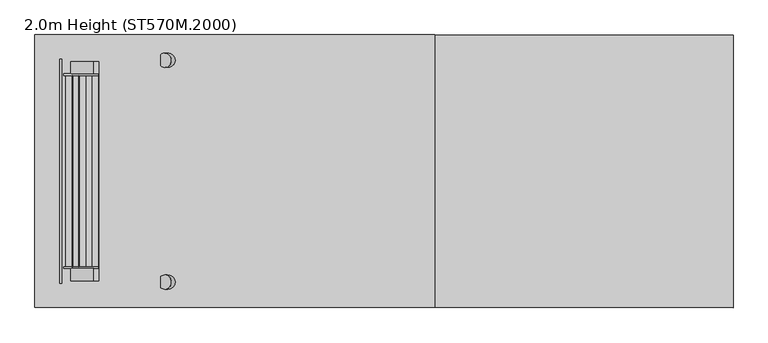
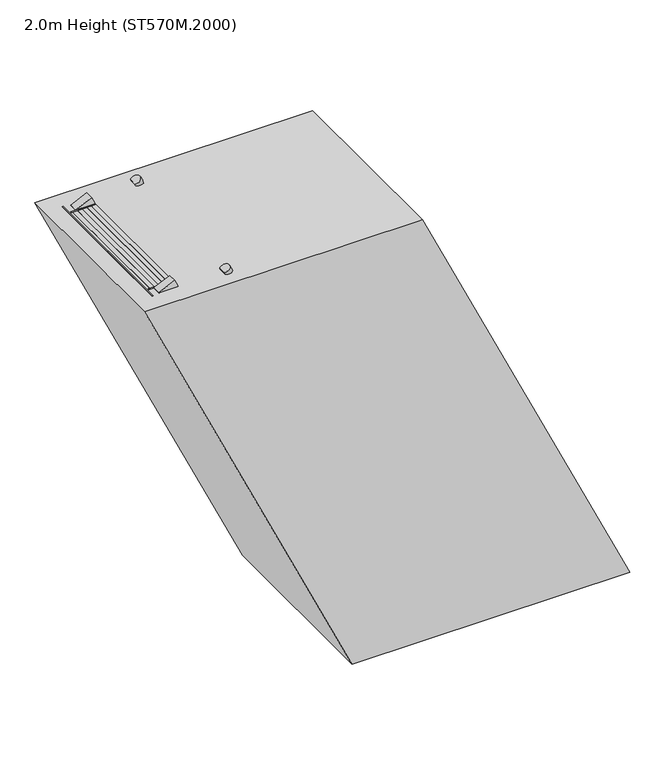
"""IFC4 building model written with IfcOpenShell, lengths in millimetres: proxy geometry, 2.0m Height (ST570M.2000)."""

import ifcopenshell
import ifcopenshell.guid

model = None  # the IFC model being written
_history = None  # IfcOwnerHistory: only IFC2X3 demands one
_inside = {}  # id of a spatial element -> (the spatial element, [elements in it])
_under = {}  # id of a project, library or spatial element -> (it, [spatial elements below it])
_declared = {}  # id of a project -> (the project, [libraries it declares])
_typed = {}  # id of a type object -> (the type object, [elements of that type])
_made_of = {}  # id of a material, layer set ... -> (it, [elements and type objects made of it])


def new_model(schema):
    """Start an empty IFC model of exactly this schema.

    Asked for "IFC4X3", IfcOpenShell would pick the latest addendum, in which some entities
    have other attributes; the version numbers below select the first issue.
    IFC2X3 requires an IfcOwnerHistory on every rooted entity: one is made here for all.
    """
    global model, _history
    if schema == "IFC4X3":
        model = ifcopenshell.file(schema_version=(4, 3, 0, 0))
    else:
        model = ifcopenshell.file(schema=schema)
    _inside.clear()
    _under.clear()
    _declared.clear()
    _typed.clear()
    _made_of.clear()
    _history = None
    if model.schema == "IFC2X3":
        org = make("IfcOrganization", Name="unknown")
        user = make(
            "IfcPersonAndOrganization",
            ThePerson=make("IfcPerson", FamilyName="unknown"),
            TheOrganization=org,
        )
        app = make(
            "IfcApplication",
            ApplicationDeveloper=org,
            Version="unknown",
            ApplicationFullName="unknown",
            ApplicationIdentifier="unknown",
        )
        _history = make(
            "IfcOwnerHistory",
            OwningUser=user,
            OwningApplication=app,
            ChangeAction="ADDED",
            CreationDate=0,
        )
    return model


def make(cls, **values):
    """One entity of the class cls with the attributes given. An attribute that is None is left unset."""
    return model.create_entity(
        cls, **{name: value for name, value in values.items() if value is not None}
    )


def rooted(cls, **values):
    """An entity with a GlobalId (a new one), such as an element, a storey or a relation."""
    return make(cls, GlobalId=ifcopenshell.guid.new(), OwnerHistory=_history, **values)


def si_unit(unit_type, name, prefix=None):
    """IfcSIUnit, for example si_unit("LENGTHUNIT", "METRE", prefix="MILLI")."""
    return make("IfcSIUnit", UnitType=unit_type, Prefix=prefix, Name=name)


def assignment(units):
    """IfcUnitAssignment: the units of a project."""
    return None if units is None else make("IfcUnitAssignment", Units=units)


def point(xyz):
    """IfcCartesianPoint."""
    return None if xyz is None else make("IfcCartesianPoint", Coordinates=xyz)


def direction(xyz):
    """IfcDirection."""
    return None if xyz is None else make("IfcDirection", DirectionRatios=xyz)


def frame(location, z_axis=None, x_axis=None):
    """IfcAxis2Placement3D, a coordinate frame: its origin and axes. An axis left out is left unset."""
    return make(
        "IfcAxis2Placement3D",
        Location=point(location),
        Axis=direction(z_axis),
        RefDirection=direction(x_axis),
    )


def frame_2d(location, x_axis=None):
    """IfcAxis2Placement2D, a coordinate frame in the plane: its origin and x axis."""
    return make(
        "IfcAxis2Placement2D", Location=point(location), RefDirection=direction(x_axis)
    )


def origin():
    """The frame at (0, 0, 0) with its axes left unset."""
    return frame((0.0, 0.0, 0.0))


def origin_with_axes():
    """The frame at (0, 0, 0) with the z axis (0, 0, 1) and the x axis (1, 0, 0) written out."""
    return frame((0.0, 0.0, 0.0), z_axis=(0.0, 0.0, 1.0), x_axis=(1.0, 0.0, 0.0))


def place(relative_to, where):
    """IfcLocalPlacement: puts the frame where relative to a parent placement (None: the world)."""
    return make(
        "IfcLocalPlacement", PlacementRelTo=relative_to, RelativePlacement=where
    )


def context(
    kind, dimensions, precision=None, world=None, true_north=None, identifier=None
):
    """IfcGeometricRepresentationContext, for example the 3D "Model" context."""
    return make(
        "IfcGeometricRepresentationContext",
        ContextIdentifier=identifier,
        ContextType=kind,
        CoordinateSpaceDimension=dimensions,
        Precision=precision,
        WorldCoordinateSystem=world,
        TrueNorth=true_north,
    )


def project(units=None, contexts=None):
    """IfcProject with its units and contexts."""
    return rooted(
        "IfcProject",
        Name="project",
        RepresentationContexts=contexts,
        UnitsInContext=assignment(units),
    )


def spatial(cls, under=None, at=None, **own):
    """A site, building, storey or space (cls), placed at a placement, below another one or the project."""
    s = rooted(cls, ObjectPlacement=at, **own)
    if under is not None:
        _under.setdefault(under.id(), (under, []))[1].append(s)
    return s


def polyline(points):
    """IfcPolyline through the points."""
    return make("IfcPolyline", Points=[point(p) for p in points])


def circle_curve(where, radius):
    """IfcCircle in the frame where."""
    return make("IfcCircle", Position=where, Radius=radius)


def trimmed(basis, trim1, trim2, sense, master):
    """IfcTrimmedCurve: the piece of a basis curve between two trims."""
    return make(
        "IfcTrimmedCurve",
        BasisCurve=basis,
        Trim1=trim1,
        Trim2=trim2,
        SenseAgreement=sense,
        MasterRepresentation=master,
    )


def segment(curve, same_sense, transition):
    """IfcCompositeCurveSegment."""
    return make(
        "IfcCompositeCurveSegment",
        Transition=transition,
        SameSense=same_sense,
        ParentCurve=curve,
    )


def composite_curve(segments, self_intersect=None):
    """IfcCompositeCurve: segments joined end to end."""
    return make("IfcCompositeCurve", Segments=segments, SelfIntersect=self_intersect)


def outline(outer, holes=None, kind="AREA"):
    """IfcArbitraryClosedProfileDef: a profile drawn as a closed curve; with holes, ...WithVoids."""
    if holes is None:
        return make("IfcArbitraryClosedProfileDef", ProfileType=kind, OuterCurve=outer)
    return make(
        "IfcArbitraryProfileDefWithVoids",
        ProfileType=kind,
        OuterCurve=outer,
        InnerCurves=holes,
    )


def extrude(swept, where, along, depth):
    """IfcExtrudedAreaSolid: the profile swept, set in the frame where, extruded along a direction by depth."""
    return make(
        "IfcExtrudedAreaSolid",
        SweptArea=swept,
        Position=where,
        ExtrudedDirection=direction(along),
        Depth=depth,
    )


def shape(context_of_items, identifier, shape_type, items):
    """IfcShapeRepresentation: the items that make up one representation, for example the "Body"."""
    return make(
        "IfcShapeRepresentation",
        ContextOfItems=context_of_items,
        RepresentationIdentifier=identifier,
        RepresentationType=shape_type,
        Items=items,
    )


def source(mapping_origin, context_of_items, identifier, shape_type, items):
    """IfcRepresentationMap: a shape defined once, which mapped items show again and again."""
    return make(
        "IfcRepresentationMap",
        MappingOrigin=mapping_origin,
        MappedRepresentation=shape(context_of_items, identifier, shape_type, items),
    )


def transform(
    local_origin,
    x_axis=None,
    y_axis=None,
    z_axis=None,
    scale=None,
    scale2=None,
    scale3=None,
    uniform=True,
):
    """IfcCartesianTransformationOperator3D, or its non-uniform kind. x_axis, y_axis, z_axis: its Axis1, 2, 3."""
    if uniform:
        return make(
            "IfcCartesianTransformationOperator3D",
            Axis1=direction(x_axis),
            Axis2=direction(y_axis),
            LocalOrigin=point(local_origin),
            Scale=scale,
            Axis3=direction(z_axis),
        )
    return make(
        "IfcCartesianTransformationOperator3DnonUniform",
        Axis1=direction(x_axis),
        Axis2=direction(y_axis),
        LocalOrigin=point(local_origin),
        Scale=scale,
        Axis3=direction(z_axis),
        Scale2=scale2,
        Scale3=scale3,
    )


def mapped(mapping_source, mapping_target):
    """IfcMappedItem: shows the shape of a source again, moved by a transform."""
    return make(
        "IfcMappedItem", MappingSource=mapping_source, MappingTarget=mapping_target
    )


def made_of(thing, what):
    """Note that an element or type object is made of a material, layer set ...; save() writes the relation."""
    if what is not None:
        _made_of.setdefault(what.id(), (what, []))[1].append(thing)
    return thing


def element(
    cls,
    number,
    at=None,
    inside=None,
    cuts=None,
    type_object=None,
    material=None,
    context=None,
    identifier="Body",
    shape_type=None,
    held_by="IfcProductDefinitionShape",
    body=None,
    shapes=None,
    **own,
):
    """One element of the class cls, such as IfcWall. Its Tag is "e" and its number.

    at: its placement. inside: the storey or other place that contains it. cuts: it is an
    opening in that element (IfcRelVoidsElement). A single representation is given by context,
    identifier, shape_type and body (its items); several are given by shapes. held_by: the class
    of the entity that holds the representations. save() writes the other relations.
    """
    e = rooted(cls, Tag="e%d" % number, ObjectPlacement=at, **own)
    if body is not None:
        shapes = [shape(context, identifier, shape_type, body)]
    if shapes is not None:
        e.Representation = make(held_by, Representations=shapes)
    if inside is not None:
        _inside.setdefault(inside.id(), (inside, []))[1].append(e)
    if cuts is not None:
        rooted(
            "IfcRelVoidsElement", RelatingBuildingElement=cuts, RelatedOpeningElement=e
        )
    if type_object is not None:
        _typed.setdefault(type_object.id(), (type_object, []))[1].append(e)
    return made_of(e, material)


def aggregate(whole, parts):
    """IfcRelAggregates: a whole, such as a stair, and the parts it consists of."""
    return rooted("IfcRelAggregates", RelatingObject=whole, RelatedObjects=parts)


def save(model, path):
    """Write the relations noted so far, then the file.

    IfcRelAggregates (storeys below a building ...), IfcRelContainedInSpatialStructure (elements
    in a storey), IfcRelDefinesByType, IfcRelAssociatesMaterial and IfcRelDeclares: one each for
    every whole, place, type object, material and project.
    """
    for whole, parts in _under.values():
        aggregate(whole, parts)
    for where, things in _inside.values():
        rooted(
            "IfcRelContainedInSpatialStructure",
            RelatedElements=things,
            RelatingStructure=where,
        )
    for kind, things in _typed.values():
        rooted("IfcRelDefinesByType", RelatedObjects=things, RelatingType=kind)
    for what, things in _made_of.values():
        rooted("IfcRelAssociatesMaterial", RelatedObjects=things, RelatingMaterial=what)
    for by, libraries in _declared.values():
        rooted("IfcRelDeclares", RelatingContext=by, RelatedDefinitions=libraries)
    model.write(path)


def proxy_2_0m_height_st570m_2000_f4d886bd(model_context):
    return source(origin(), model_context, "Body", "SweptSolid", [
        extrude(outline(polyline([(1750.0, -171.2611852), (1670.0, -133.9565776), (1670.0, -23.6187805), (1750.0, -60.9233932), (1750.0, -171.2611852)])), frame((0.0, 298.5, 0.0), z_axis=(0.0, 1.0, 0.0), x_axis=(0.0, 0.0, 1.0)), (0.0, 0.0, 1.0), 6.0),
        extrude(outline(polyline([(1750.0, -171.2611852), (1670.0, -133.9565776), (1670.0, -23.6187805), (1750.0, -60.9233932), (1750.0, -171.2611852)])), frame((0.0, -304.5, 0.0), z_axis=(0.0, 1.0, 0.0), x_axis=(0.0, 0.0, 1.0)), (0.0, 0.0, 1.0), 6.0),
        extrude(outline(polyline([(1750.0, -164.0892289), (1712.0999991, -146.4161707), (1712.0999991, -144.2094149), (1747.0, -160.4835503), (1747.0, -61.731226), (1712.0999991, -45.4570884), (1712.0999991, -43.2503325), (1750.0, -60.9233932), (1750.0, -81.3511343), (1749.2749538, -81.6892289), (1750.0, -82.0273235), (1750.0, -101.9511343), (1749.2749538, -102.2892289), (1750.0, -102.6273235), (1750.0, -122.5511343), (1749.2749538, -122.8892289), (1750.0, -123.2273235), (1750.0, -143.1511343), (1749.2749538, -143.4892289), (1750.0, -143.8273235), (1750.0, -164.0892289)])), frame((0.0, -298.5, 0.0), z_axis=(0.0, 1.0, 0.0), x_axis=(0.0, 0.0, 1.0)), (0.0, 0.0, 1.0), 597.0),
        extrude(outline(polyline([(1500.0, -54.6845784), (1420.0, -17.3799708), (1420.0, 92.9578263), (1500.0, 55.6532136), (1500.0, -54.6845784)])), frame((0.0, 298.5, 0.0), z_axis=(0.0, 1.0, 0.0), x_axis=(0.0, 0.0, 1.0)), (0.0, 0.0, 1.0), 6.0),
        extrude(outline(polyline([(1500.0, -54.6845784), (1420.0, -17.3799708), (1420.0, 92.9578263), (1500.0, 55.6532136), (1500.0, -54.6845784)])), frame((0.0, -304.5, 0.0), z_axis=(0.0, 1.0, 0.0), x_axis=(0.0, 0.0, 1.0)), (0.0, 0.0, 1.0), 6.0),
        extrude(outline(polyline([(1500.0, -47.5126221), (1462.0999991, -29.8395638), (1462.0999991, -27.6328081), (1497.0, -43.9069435), (1497.0, 54.8453808), (1462.0999991, 71.1195184), (1462.0999991, 73.3262743), (1500.0, 55.6532136), (1500.0, 35.2254725), (1499.2749538, 34.8873779), (1500.0, 34.5492833), (1500.0, 14.6254725), (1499.2749538, 14.2873779), (1500.0, 13.9492833), (1500.0, -5.9745275), (1499.2749538, -6.3126221), (1500.0, -6.6507167), (1500.0, -26.5745275), (1499.2749538, -26.9126221), (1500.0, -27.2507167), (1500.0, -47.5126221)])), frame((0.0, -298.5, 0.0), z_axis=(0.0, 1.0, 0.0), x_axis=(0.0, 0.0, 1.0)), (0.0, 0.0, 1.0), 597.0),
        extrude(outline(polyline([(1250.0, 61.8920284), (1170.0, 99.196636), (1170.0, 209.5344331), (1250.0, 172.2298205), (1250.0, 61.8920284)])), frame((0.0, 298.5, 0.0), z_axis=(0.0, 1.0, 0.0), x_axis=(0.0, 0.0, 1.0)), (0.0, 0.0, 1.0), 6.0),
        extrude(outline(polyline([(1250.0, 61.8920284), (1170.0, 99.196636), (1170.0, 209.5344331), (1250.0, 172.2298205), (1250.0, 61.8920284)])), frame((0.0, -304.5, 0.0), z_axis=(0.0, 1.0, 0.0), x_axis=(0.0, 0.0, 1.0)), (0.0, 0.0, 1.0), 6.0),
        extrude(outline(polyline([(1250.0, 69.0639847), (1212.0999991, 86.737043), (1212.0999991, 88.9437988), (1247.0, 72.6696633), (1247.0, 171.4219876), (1212.0999991, 187.6961253), (1212.0999991, 189.9028811), (1250.0, 172.2298205), (1250.0, 151.8020793), (1249.2749538, 151.4639847), (1250.0, 151.1258902), (1250.0, 131.2020793), (1249.2749538, 130.8639847), (1250.0, 130.5258902), (1250.0, 110.6020793), (1249.2749538, 110.2639847), (1250.0, 109.9258902), (1250.0, 90.0020793), (1249.2749538, 89.6639847), (1250.0, 89.3258902), (1250.0, 69.0639847)])), frame((0.0, -298.5, 0.0), z_axis=(0.0, 1.0, 0.0), x_axis=(0.0, 0.0, 1.0)), (0.0, 0.0, 1.0), 597.0),
        extrude(outline(polyline([(1000.0, 178.4686352), (920.0, 215.7732428), (920.0, 326.1110399), (1000.0, 288.8064273), (1000.0, 178.4686352)])), frame((0.0, 298.5, 0.0), z_axis=(0.0, 1.0, 0.0), x_axis=(0.0, 0.0, 1.0)), (0.0, 0.0, 1.0), 6.0),
        extrude(outline(polyline([(1000.0, 178.4686352), (920.0, 215.7732428), (920.0, 326.1110399), (1000.0, 288.8064273), (1000.0, 178.4686352)])), frame((0.0, -304.5, 0.0), z_axis=(0.0, 1.0, 0.0), x_axis=(0.0, 0.0, 1.0)), (0.0, 0.0, 1.0), 6.0),
        extrude(outline(polyline([(1000.0, 185.6405915), (962.0999991, 203.3136498), (962.0999991, 205.5204056), (997.0, 189.2462701), (997.0, 287.9985944), (962.0999991, 304.2727321), (962.0999991, 306.4794879), (1000.0, 288.8064273), (1000.0, 268.3786861), (999.2749538, 268.0405915), (1000.0, 267.702497), (1000.0, 247.7786861), (999.2749538, 247.4405915), (1000.0, 247.102497), (1000.0, 227.1786861), (999.2749538, 226.8405915), (1000.0, 226.502497), (1000.0, 206.5786861), (999.2749538, 206.2405915), (1000.0, 205.902497), (1000.0, 185.6405915)])), frame((0.0, -298.5, 0.0), z_axis=(0.0, 1.0, 0.0), x_axis=(0.0, 0.0, 1.0)), (0.0, 0.0, 1.0), 597.0),
        extrude(outline(polyline([(750.0, 295.0452421), (670.0, 332.3498497), (670.0, 442.6876467), (750.0, 405.3830341), (750.0, 295.0452421)])), frame((0.0, 298.5, 0.0), z_axis=(0.0, 1.0, 0.0), x_axis=(0.0, 0.0, 1.0)), (0.0, 0.0, 1.0), 6.0),
        extrude(outline(polyline([(750.0, 295.0452421), (670.0, 332.3498497), (670.0, 442.6876467), (750.0, 405.3830341), (750.0, 295.0452421)])), frame((0.0, -304.5, 0.0), z_axis=(0.0, 1.0, 0.0), x_axis=(0.0, 0.0, 1.0)), (0.0, 0.0, 1.0), 6.0),
        extrude(outline(polyline([(750.0, 302.2171984), (712.0999991, 319.8902566), (712.0999991, 322.0970124), (747.0, 305.8228769), (747.0, 404.5752012), (712.0999991, 420.8493389), (712.0999991, 423.0560947), (750.0, 405.3830341), (750.0, 384.9552929), (749.2749538, 384.6171984), (750.0, 384.2791038), (750.0, 364.3552929), (749.2749538, 364.0171984), (750.0, 363.6791038), (750.0, 343.7552929), (749.2749538, 343.4171984), (750.0, 343.0791038), (750.0, 323.1552929), (749.2749538, 322.8171984), (750.0, 322.4791038), (750.0, 302.2171984)])), frame((0.0, -298.5, 0.0), z_axis=(0.0, 1.0, 0.0), x_axis=(0.0, 0.0, 1.0)), (0.0, 0.0, 1.0), 597.0),
        extrude(outline(polyline([(500.0, 411.6218489), (420.0, 448.9264565), (420.0, 559.2642536), (500.0, 521.9596409), (500.0, 411.6218489)])), frame((0.0, 298.5, 0.0), z_axis=(0.0, 1.0, 0.0), x_axis=(0.0, 0.0, 1.0)), (0.0, 0.0, 1.0), 6.0),
        extrude(outline(polyline([(500.0, 411.6218489), (420.0, 448.9264565), (420.0, 559.2642536), (500.0, 521.9596409), (500.0, 411.6218489)])), frame((0.0, -304.5, 0.0), z_axis=(0.0, 1.0, 0.0), x_axis=(0.0, 0.0, 1.0)), (0.0, 0.0, 1.0), 6.0),
        extrude(outline(polyline([(500.0, 418.7938052), (462.0999991, 436.4668634), (462.0999991, 438.6736192), (497.0, 422.3994838), (497.0, 521.151808), (462.0999991, 537.4259457), (462.0999991, 539.6327015), (500.0, 521.9596409), (500.0, 501.5318998), (499.2749538, 501.1938052), (500.0, 500.8557106), (500.0, 480.9318998), (499.2749538, 480.5938052), (500.0, 480.2557106), (500.0, 460.3318998), (499.2749538, 459.9938052), (500.0, 459.6557106), (500.0, 439.7318998), (499.2749538, 439.3938052), (500.0, 439.0557106), (500.0, 418.7938052)])), frame((0.0, -298.5, 0.0), z_axis=(0.0, 1.0, 0.0), x_axis=(0.0, 0.0, 1.0)), (0.0, 0.0, 1.0), 597.0),
        extrude(outline(polyline([(0.0, -32.0), (0.0, 0.0), (3.0, 0.0), (3.0, -32.0), (0.0, -32.0)])), frame((461.6475019, 331.0, 1054.0723238), z_axis=(-0.4226182617407379, 0.0, 0.9063077870366321), x_axis=(-0.9063077870366321, 0.0, -0.4226182617407379)), (0.0, 0.0, 1.0), 140.0),
        extrude(outline(polyline([(0.0, -32.0), (0.0, 0.0), (3.0, 0.0), (3.0, -32.0), (0.0, -32.0)])), frame((100.4261443, 331.0, 1828.7140249), z_axis=(-0.4226182617407379, 0.0, 0.9063077870366321), x_axis=(-0.9063077870366321, 0.0, -0.4226182617407379)), (0.0, 0.0, 1.0), 140.0),
        extrude(outline(composite_curve([segment(polyline([(1079.9937026, 446.2500307), (1152.4983256, 412.4405697), (1048.1116149, 188.5825463)]), True, "CONTINUOUS"), segment(trimmed(circle_curve(frame_2d((1042.6737682, 191.1182559)), 6.0), [point((1048.1116149, 188.5825463))], [point((1040.1380586, 185.6804092))], False, "CARTESIAN"), True, "CONTINUOUS"), segment(polyline([(1040.1380586, 185.6804092), (978.5091291, 214.418451)]), True, "CONTINUOUS"), segment(trimmed(circle_curve(frame_2d((981.0448387, 219.8562977)), 6.0), [point((978.5091291, 214.418451))], [point((975.606992, 222.3920073))], False, "CARTESIAN"), True, "CONTINUOUS"), segment(polyline([(975.606992, 222.3920073), (1079.9937026, 446.2500307)]), True, "CONTINUOUS")], self_intersect=False)), frame((0.0, 344.0, 0.0), z_axis=(0.0, 1.0, 0.0), x_axis=(0.0, 0.0, 1.0)), (0.0, 0.0, 1.0), 6.0),
        extrude(outline(composite_curve([segment(polyline([(1854.6354038, 85.0286731), (1927.1400267, 51.2192122), (1822.7533161, -172.6388112)]), True, "CONTINUOUS"), segment(trimmed(circle_curve(frame_2d((1817.3154694, -170.1031017)), 6.0), [point((1822.7533161, -172.6388112))], [point((1814.7797598, -175.5409484))], False, "CARTESIAN"), True, "CONTINUOUS"), segment(polyline([(1814.7797598, -175.5409484), (1753.1508303, -146.8029066)]), True, "CONTINUOUS"), segment(trimmed(circle_curve(frame_2d((1755.6865398, -141.3650599)), 6.0), [point((1753.1508303, -146.8029066))], [point((1750.2486931, -138.8293503))], False, "CARTESIAN"), True, "CONTINUOUS"), segment(polyline([(1750.2486931, -138.8293503), (1854.6354038, 85.0286731)]), True, "CONTINUOUS")], self_intersect=False)), frame((0.0, 344.0, 0.0), z_axis=(0.0, 1.0, 0.0), x_axis=(0.0, 0.0, 1.0)), (0.0, 0.0, 1.0), 6.0),
        extrude(outline(composite_curve([segment(trimmed(circle_curve(frame_2d((0.0, 14.189404)), 22.4521533), [point((-17.4, 0.0))], [point((17.4, 0.0))], False, "CARTESIAN"), True, "CONTINUOUS"), segment(polyline([(17.4, 0.0), (-17.4, 0.0)]), True, "CONTINUOUS")], self_intersect=False)), frame((533.4926064, 347.0, 900.0), z_axis=(-0.4226182617407379, 0.0, 0.9063077870366321), x_axis=(0.0, -1.0, 0.0)), (0.0, 0.0, 1.0), 1224.7225481),
        extrude(outline(polyline([(0.0, -32.0), (0.0, 0.0), (3.0, 0.0), (3.0, -32.0), (0.0, -32.0)])), frame((461.6475019, -363.0, 1054.0723238), z_axis=(-0.4226182617407379, 0.0, 0.9063077870366321), x_axis=(-0.9063077870366321, 0.0, -0.4226182617407379)), (0.0, 0.0, 1.0), 140.0),
        extrude(outline(polyline([(0.0, -32.0), (0.0, 0.0), (3.0, 0.0), (3.0, -32.0), (0.0, -32.0)])), frame((100.4261443, -363.0, 1828.7140249), z_axis=(-0.4226182617407379, 0.0, 0.9063077870366321), x_axis=(-0.9063077870366321, 0.0, -0.4226182617407379)), (0.0, 0.0, 1.0), 140.0),
        extrude(outline(composite_curve([segment(polyline([(1079.9937026, 446.2500307), (1152.4983256, 412.4405697), (1048.1116149, 188.5825463)]), True, "CONTINUOUS"), segment(trimmed(circle_curve(frame_2d((1042.6737682, 191.1182559)), 6.0), [point((1048.1116149, 188.5825463))], [point((1040.1380586, 185.6804092))], False, "CARTESIAN"), True, "CONTINUOUS"), segment(polyline([(1040.1380586, 185.6804092), (978.5091291, 214.418451)]), True, "CONTINUOUS"), segment(trimmed(circle_curve(frame_2d((981.0448387, 219.8562977)), 6.0), [point((978.5091291, 214.418451))], [point((975.606992, 222.3920073))], False, "CARTESIAN"), True, "CONTINUOUS"), segment(polyline([(975.606992, 222.3920073), (1079.9937026, 446.2500307)]), True, "CONTINUOUS")], self_intersect=False)), frame((0.0, -350.0, 0.0), z_axis=(0.0, 1.0, 0.0), x_axis=(0.0, 0.0, 1.0)), (0.0, 0.0, 1.0), 6.0),
        extrude(outline(composite_curve([segment(polyline([(1854.6354038, 85.0286731), (1927.1400267, 51.2192122), (1822.7533161, -172.6388112)]), True, "CONTINUOUS"), segment(trimmed(circle_curve(frame_2d((1817.3154694, -170.1031017)), 6.0), [point((1822.7533161, -172.6388112))], [point((1814.7797598, -175.5409484))], False, "CARTESIAN"), True, "CONTINUOUS"), segment(polyline([(1814.7797598, -175.5409484), (1753.1508303, -146.8029066)]), True, "CONTINUOUS"), segment(trimmed(circle_curve(frame_2d((1755.6865398, -141.3650599)), 6.0), [point((1753.1508303, -146.8029066))], [point((1750.2486931, -138.8293503))], False, "CARTESIAN"), True, "CONTINUOUS"), segment(polyline([(1750.2486931, -138.8293503), (1854.6354038, 85.0286731)]), True, "CONTINUOUS")], self_intersect=False)), frame((0.0, -350.0, 0.0), z_axis=(0.0, 1.0, 0.0), x_axis=(0.0, 0.0, 1.0)), (0.0, 0.0, 1.0), 6.0),
        extrude(outline(composite_curve([segment(trimmed(circle_curve(frame_2d((0.0, 14.189404)), 22.4521533), [point((-17.4, 0.0))], [point((17.4, 0.0))], False, "CARTESIAN"), True, "CONTINUOUS"), segment(polyline([(17.4, 0.0), (-17.4, 0.0)]), True, "CONTINUOUS")], self_intersect=False)), frame((533.4926064, -347.0, 900.0), z_axis=(-0.4226182617407379, 0.0, 0.9063077870366321), x_axis=(0.0, -1.0, 0.0)), (0.0, 0.0, 1.0), 1224.7225481),
        extrude(outline(polyline([(2000.0, -287.837792), (1920.0, -250.5331844), (1920.0, -140.1953873), (2000.0, -177.5), (2000.0, -287.837792)])), frame((0.0, 298.5, 0.0), z_axis=(0.0, 1.0, 0.0), x_axis=(0.0, 0.0, 1.0)), (0.0, 0.0, 1.0), 6.0),
        extrude(outline(polyline([(2000.0, -287.837792), (1920.0, -250.5331844), (1920.0, -140.1953873), (2000.0, -177.5), (2000.0, -287.837792)])), frame((0.0, -304.5, 0.0), z_axis=(0.0, 1.0, 0.0), x_axis=(0.0, 0.0, 1.0)), (0.0, 0.0, 1.0), 6.0),
        extrude(outline(polyline([(2000.0, -280.6658357), (1962.0999991, -262.9927775), (1962.0999991, -260.7860217), (1997.0, -277.0601572), (1997.0, -178.3078329), (1962.0999991, -162.0336952), (1962.0999991, -159.8269394), (2000.0, -177.5), (2000.0, -197.9277412), (1999.2749538, -198.2658357), (2000.0, -198.6039303), (2000.0, -218.5277412), (1999.2749538, -218.8658357), (2000.0, -219.2039303), (2000.0, -239.1277412), (1999.2749538, -239.4658357), (2000.0, -239.8039303), (2000.0, -259.7277412), (1999.2749538, -260.0658357), (2000.0, -260.4039303), (2000.0, -280.6658357)])), frame((0.0, -298.5, 0.0), z_axis=(0.0, 1.0, 0.0), x_axis=(0.0, 0.0, 1.0)), (0.0, 0.0, 1.0), 597.0),
        extrude(outline(polyline([(250.0, 528.1984557), (170.0, 565.5030633), (170.0, 675.8408604), (250.0, 638.5362477), (250.0, 528.1984557)])), frame((0.0, 298.5, 0.0), z_axis=(0.0, 1.0, 0.0), x_axis=(0.0, 0.0, 1.0)), (0.0, 0.0, 1.0), 6.0),
        extrude(outline(polyline([(250.0, 528.1984557), (170.0, 565.5030633), (170.0, 675.8408604), (250.0, 638.5362477), (250.0, 528.1984557)])), frame((0.0, -304.5, 0.0), z_axis=(0.0, 1.0, 0.0), x_axis=(0.0, 0.0, 1.0)), (0.0, 0.0, 1.0), 6.0),
        extrude(outline(polyline([(250.0, 535.370412), (212.0999991, 553.0434702), (212.0999991, 555.250226), (247.0, 538.9760906), (247.0, 637.7284149), (212.0999991, 654.0025525), (212.0999991, 656.2093084), (250.0, 638.5362477), (250.0, 618.1085066), (249.2749538, 617.770412), (250.0, 617.4323174), (250.0, 597.5085066), (249.2749538, 597.170412), (250.0, 596.8323174), (250.0, 576.9085066), (249.2749538, 576.570412), (250.0, 576.2323174), (250.0, 556.3085066), (249.2749538, 555.970412), (250.0, 555.6323174), (250.0, 535.370412)])), frame((0.0, -298.5, 0.0), z_axis=(0.0, 1.0, 0.0), x_axis=(0.0, 0.0, 1.0)), (0.0, 0.0, 1.0), 597.0),
        extrude(outline(polyline([(1986.0, -170.9738468), (1986.0, -294.0), (1906.0, -294.0), (1906.0, -133.6692342), (1986.0, -170.9738468)])), frame((0.0, 344.0, 0.0), z_axis=(0.0, 1.0, 0.0), x_axis=(0.0, 0.0, 1.0)), (0.0, 0.0, 1.0), 6.0),
        extrude(outline(polyline([(1986.0, -170.9738468), (1986.0, -294.0), (1906.0, -294.0), (1906.0, -133.6692342), (1986.0, -170.9738468)])), frame((0.0, -350.0, 0.0), z_axis=(0.0, 1.0, 0.0), x_axis=(0.0, 0.0, 1.0)), (0.0, 0.0, 1.0), 6.0),
        extrude(outline(polyline([(2000.0, -294.0), (2000.0, -300.0), (1900.0, -300.0), (1900.0, -250.0), (1906.0, -250.0), (1906.0, -294.0), (2000.0, -294.0)])), frame((0.0, -350.0, 0.0), z_axis=(0.0, 1.0, 0.0), x_axis=(0.0, 0.0, 1.0)), (0.0, 0.0, 1.0), 700.0),
        extrude(outline(polyline([(-304.5, 80.0), (-304.5, 0.0), (-343.0, 0.0), (-343.0, 80.0), (-304.5, 80.0)])), frame((664.0450828, 0.0, 6.0), z_axis=(-0.4226182617406976, 0.0, 0.9063077870366508), x_axis=(0.0, -1.0, 0.0)), (0.0, 0.0, 1.0), 2200.1355704),
        extrude(outline(polyline([(343.0, 80.0), (343.0, 0.0), (304.5, 0.0), (304.5, 80.0), (343.0, 80.0)])), frame((664.0450828, 0.0, 6.0), z_axis=(-0.4226182617406976, 0.0, 0.9063077870366509), x_axis=(0.0, -1.0, 0.0)), (0.0, 0.0, 1.0), 2200.1355704),
        extrude(outline(polyline([(141.9461681, 688.922577), (108.1367071, 616.4179541), (6.0, 664.0450828), (6.0, 752.3153163), (141.9461681, 688.922577)])), frame((0.0, 344.0, 0.0), z_axis=(0.0, 1.0, 0.0), x_axis=(0.0, 0.0, 1.0)), (0.0, 0.0, 1.0), 6.0),
        extrude(outline(polyline([(141.9461681, 688.922577), (108.1367071, 616.4179541), (6.0, 664.0450828), (6.0, 752.3153163), (141.9461681, 688.922577)])), frame((0.0, -350.0, 0.0), z_axis=(0.0, 1.0, 0.0), x_axis=(0.0, 0.0, 1.0)), (0.0, 0.0, 1.0), 6.0),
        extrude(outline(polyline([(758.2153163, 358.0), (758.2153163, -358.0), (658.2153163, -358.0), (658.2153163, 358.0), (758.2153163, 358.0)])), origin_with_axes(), (0.0, 0.0, 1.0), 6.0),
        extrude(outline(polyline([(2000.0, -377.5004787), (0.0, 555.1148376), (0.0, 1803.3221853), (2000.0, 870.706869), (2000.0, -377.5004787)])), frame((0.0, -426.5, 0.0), z_axis=(0.0, 1.0, 0.0), x_axis=(0.0, 0.0, 1.0)), (0.0, 0.0, 1.0), 853.0),
    ])


if __name__ == "__main__":
    model = new_model("IFC4")
    model_context = context("Model", 3, world=origin())
    ifc_project = project(units=[si_unit("LENGTHUNIT", "METRE", prefix="MILLI")], contexts=[model_context])
    site = spatial("IfcSite", under=ifc_project)
    building = spatial("IfcBuilding", under=site)
    placement = place(None, origin())
    proxy_2_0m_height_st570m_2000_shape = proxy_2_0m_height_st570m_2000_f4d886bd(model_context)
    element("IfcBuildingElementProxy", 1, Name="2.0m Height (ST570M.2000)", ObjectType="2.0m Height (ST570M.2000)", at=placement, inside=building, context=model_context, shape_type="MappedRepresentation", body=[
        mapped(proxy_2_0m_height_st570m_2000_shape, transform((0.0, 0.0, 0.0), x_axis=(1.0, 0.0, 0.0), y_axis=(0.0, 1.0, 0.0), z_axis=(0.0, 0.0, 1.0))),
    ])
    save(model, "model.ifc")
